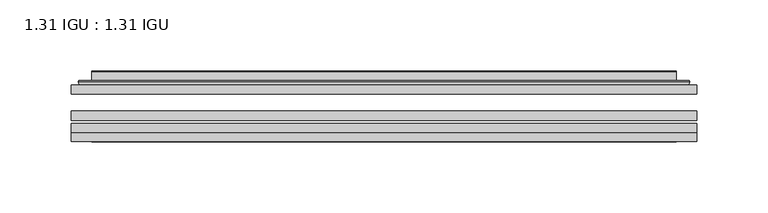
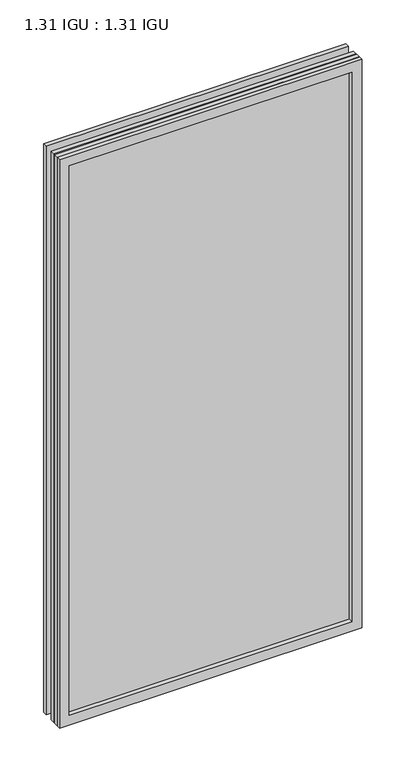
"""IFC4 building model written with IfcOpenShell, lengths in millimetres: plate geometry, 1.31 IGU : 1.31 IGU."""

from ifc_helpers import new_model, si_unit, frame, origin, place, context, project, spatial, polyline, ellipse_curve, outline, extrude, faceted_brep, source, transform, mapped, element, save
from ifc_brep_helpers import plane_surface, cylinder_surface, advanced_brep


def plate_1_31_igu_1_31_igu_1eee2443(model_context):
    return source(origin(), model_context, "Body", "SolidModel", [
        extrude(outline(polyline([(219.089175, -63.2975937), (219.089175, -69.6475938), (-219.075, -69.6475938), (-219.075, -63.2975937), (219.089175, -63.2975937)])), frame((0.0, 0.0, -14.2875), z_axis=(0.0, 0.0, 1.0), x_axis=(1.0, 0.0, 0.0)), (0.0, 0.0, 1.0), 869.9537979),
        extrude(outline(polyline([(-219.075, -78.2835938), (-219.075, -71.9330887), (219.089175, -71.9330887), (219.089175, -78.2835938), (-219.075, -78.2835938)])), frame((0.0, 0.0, -14.2875), z_axis=(0.0, 0.0, 1.0), x_axis=(1.0, 0.0, 0.0)), (0.0, 0.0, 1.0), 869.9537979),
        extrude(outline(polyline([(219.089175, -44.9587937), (219.089175, -51.3087938), (-219.075, -51.3087938), (-219.075, -44.9587937), (219.089175, -44.9587937)])), frame((0.0, 0.0, -14.2875), z_axis=(0.0, 0.0, 1.0), x_axis=(1.0, 0.0, 0.0)), (0.0, 0.0, 1.0), 869.9537979),
        faceted_brep([(-219.0877, -84.6335937, 855.6752), (-219.0877, -78.2835937, 855.6752), (-219.0877, -78.2835937, -14.3002), (-219.0877, -84.6335937, -14.3002), (219.0877, -78.2835937, -14.3002), (219.0877, -84.6335937, -14.3002), (219.0877, -78.2835937, 855.6752), (219.0877, -84.6335937, 855.6752), (-203.8897559, -78.2835937, 0.8977441), (203.8897559, -78.2835937, 0.8977441), (203.8897559, -78.2835937, 840.4772559), (-203.8897559, -78.2835937, 840.4772559), (-204.7821902, -84.6335937, 841.3696902), (204.7821902, -84.6335937, 841.3696902), (204.7821902, -84.6335937, 0.0053098), (-204.7821902, -84.6335937, 0.0053098)], [[[0, 1, 2, 3]], [[3, 2, 4, 5]], [[5, 4, 6, 7]], [[1, 6, 4, 2], [8, 9, 10, 11]], [[7, 6, 1, 0]], [[3, 5, 7, 0], [12, 13, 14, 15]], [[11, 12, 15, 8]], [[8, 15, 14, 9]], [[9, 14, 13, 10]], [[10, 13, 12, 11]]]),
        advanced_brep(
        [(-211.833719, -44.9587937, 848.421219), (-214.1879244, -42.9691271, 850.7754244), (-214.1879244, -42.9691271, -9.4004244), (-211.833719, -44.9587937, -7.046219), (-202.7593939, -41.1187568, 839.3468939), (-197.8245621, -44.9587937, 834.4120621), (-197.8245621, -44.9587937, 6.9629379), (-202.7593939, -41.1187568, 2.0281061), (-203.7914217, -35.7215256, 840.3789217), (-203.7914217, -35.7215256, 0.9960783), (-204.7820784, -35.3225507, 841.3695784), (-204.7820784, -35.3225507, 0.0054216), (-204.7820784, -41.7837937, 841.3695784), (-204.7820784, -41.7837937, 0.0054216), (-213.1861349, -41.7837937, 849.7736349), (-213.1861349, -41.7837937, -8.3986349), (214.1879244, -42.9691271, -9.4004244), (211.833719, -44.9587937, -7.046219), (197.8245621, -44.9587937, 6.9629379), (202.7593939, -41.1187568, 2.0281061), (203.7914217, -35.7215256, 0.9960783), (204.7820784, -35.3225507, 0.0054216), (204.7820784, -41.7837937, 0.0054216), (213.1861349, -41.7837937, -8.3986349), (214.1879244, -42.9691271, 850.7754244), (211.833719, -44.9587937, 848.421219), (197.8245621, -44.9587937, 834.4120621), (202.7593939, -41.1187568, 839.3468939), (203.7914217, -35.7215256, 840.3789217), (204.7820784, -35.3225507, 841.3695784), (204.7820784, -41.7837937, 841.3695784), (213.1861349, -41.7837937, 849.7736349)],
        [
            (0, 1, ellipse_curve(frame((-211.833719, -42.5711937, 848.421219), z_axis=(-0.7071067811865475, 0.0, -0.7071067811865475), x_axis=(-0.7071067811865474, 0.0, 0.7071067811865476)), 3.3765763, 2.3876)),
            (1, 2),
            (2, 3, ellipse_curve(frame((-211.833719, -42.5711937, -7.046219), z_axis=(-0.7071067811865475, 0.0, 0.7071067811865475), x_axis=(0.7071067811865474, 0.0, 0.7071067811865476)), 3.3765763, 2.3876)),
            (3, 0),
            (4, 5),
            (5, 6),
            (6, 7),
            (7, 4),
            (8, 4),
            (7, 9),
            (9, 8),
            (10, 8, ellipse_curve(frame((-204.4151219, -35.840786, 841.0026219), z_axis=(-0.7071067811865475, 0.0, -0.7071067811865475), x_axis=(-0.7071067811865474, 0.0, 0.7071067811865476)), 0.8980256, 0.635)),
            (9, 11, ellipse_curve(frame((-204.4151219, -35.840786, 0.3723781), z_axis=(-0.7071067811865475, 0.0, 0.7071067811865475), x_axis=(0.7071067811865474, 0.0, 0.7071067811865476)), 0.8980256, 0.635)),
            (11, 10),
            (12, 10),
            (11, 13),
            (13, 12),
            (1, 14, ellipse_curve(frame((-213.1861349, -42.7997937, 849.7736349), z_axis=(-0.7071067811865475, 0.0, -0.7071067811865475), x_axis=(-0.7071067811865474, 0.0, 0.7071067811865476)), 1.436841, 1.016)),
            (14, 15),
            (15, 2, ellipse_curve(frame((-213.1861349, -42.7997937, -8.3986349), z_axis=(-0.7071067811865475, 0.0, 0.7071067811865475), x_axis=(0.7071067811865474, 0.0, 0.7071067811865476)), 1.436841, 1.016)),
            (2, 16),
            (16, 17, ellipse_curve(frame((211.833719, -42.5711937, -7.046219), z_axis=(-0.7071067811865475, 0.0, -0.7071067811865475), x_axis=(-0.7071067811865476, 0.0, 0.7071067811865474)), 3.3765763, 2.3876)),
            (17, 3),
            (6, 18),
            (18, 19),
            (19, 7),
            (19, 20),
            (20, 9),
            (20, 21, ellipse_curve(frame((204.4151219, -35.840786, 0.3723781), z_axis=(-0.7071067811865475, 0.0, -0.7071067811865475), x_axis=(-0.7071067811865476, 0.0, 0.7071067811865474)), 0.8980256, 0.635)),
            (21, 11),
            (21, 22),
            (22, 13),
            (15, 23),
            (23, 16, ellipse_curve(frame((213.1861349, -42.7997937, -8.3986349), z_axis=(-0.7071067811865475, 0.0, -0.7071067811865475), x_axis=(-0.7071067811865476, 0.0, 0.7071067811865474)), 1.436841, 1.016)),
            (16, 24),
            (24, 25, ellipse_curve(frame((211.833719, -42.5711937, 848.421219), z_axis=(0.7071067811865475, 0.0, -0.7071067811865475), x_axis=(-0.7071067811865474, 0.0, -0.7071067811865476)), 3.3765763, 2.3876)),
            (25, 17),
            (18, 26),
            (26, 27),
            (27, 19),
            (27, 28),
            (28, 20),
            (28, 29, ellipse_curve(frame((204.4151219, -35.840786, 841.0026219), z_axis=(0.7071067811865475, 0.0, -0.7071067811865475), x_axis=(-0.7071067811865474, 0.0, -0.7071067811865476)), 0.8980256, 0.635)),
            (29, 21),
            (29, 30),
            (30, 22),
            (23, 31),
            (31, 24, ellipse_curve(frame((213.1861349, -42.7997937, 849.7736349), z_axis=(0.7071067811865475, 0.0, -0.7071067811865475), x_axis=(-0.7071067811865474, 0.0, -0.7071067811865476)), 1.436841, 1.016)),
            (24, 1),
            (0, 25),
            (5, 26),
            (4, 27),
            (8, 28),
            (10, 29),
            (12, 30),
            (14, 31),
        ],
        [
            cylinder_surface(frame((-211.833719, -42.5711937, 873.125), z_axis=(0.0, 0.0, 1.0), x_axis=(-1.0, 0.0, 0.0)), 2.3876),
            plane_surface(frame((-197.8245621, -44.9587937, 834.4120621), z_axis=(0.6141233906514794, 0.7892100234124821, 0.0), x_axis=(0.0, 0.0, -1.0))),
            plane_surface(frame((-202.7593939, -41.1187568, 839.3468939), z_axis=(0.9822050625507729, 0.18781164793386076, 0.0), x_axis=(0.0, 0.0, -1.0))),
            cylinder_surface(frame((-204.4151219, -35.840786, 873.125), z_axis=(0.0, 0.0, 1.0), x_axis=(-1.0, 0.0, 0.0)), 0.635),
            plane_surface(frame((-204.7820784, -35.3225507, 841.3695784), z_axis=(-1.0, 0.0, 0.0), x_axis=(0.0, 0.0, -1.0))),
            cylinder_surface(frame((-213.1861349, -42.7997937, 873.125), z_axis=(0.0, 0.0, 1.0), x_axis=(-1.0, 0.0, 0.0)), 1.016),
            cylinder_surface(frame((-236.5375, -42.5711937, -7.046219), z_axis=(-1.0, 0.0, 0.0), x_axis=(0.0, 0.0, -1.0)), 2.3876),
            plane_surface(frame((-197.8245621, -44.9587937, 6.9629379), z_axis=(0.0, 0.7892100234124841, 0.6141233906514768), x_axis=(1.0, 0.0, 0.0))),
            plane_surface(frame((-202.7593939, -41.1187568, 2.0281061), z_axis=(0.0, 0.18781164793386393, 0.9822050625507723), x_axis=(1.0, 0.0, 0.0))),
            cylinder_surface(frame((-236.5375, -35.840786, 0.3723781), z_axis=(-1.0, 0.0, 0.0), x_axis=(0.0, 0.0, -1.0)), 0.635),
            plane_surface(frame((-204.7820784, -35.3225507, 0.0054216), z_axis=(0.0, 0.0, -1.0), x_axis=(1.0, 0.0, 0.0))),
            cylinder_surface(frame((-236.5375, -42.7997937, -8.3986349), z_axis=(-1.0, 0.0, 0.0), x_axis=(0.0, 0.0, -1.0)), 1.016),
            cylinder_surface(frame((211.833719, -42.5711937, -31.75), z_axis=(0.0, 0.0, -1.0), x_axis=(1.0, 0.0, 0.0)), 2.3876),
            plane_surface(frame((197.8245621, -44.9587937, 6.9629379), z_axis=(-0.6141233906514743, 0.7892100234124861, 0.0), x_axis=(0.0, 0.0, 1.0))),
            plane_surface(frame((202.7593939, -41.1187568, 2.0281061), z_axis=(-0.9822050625507718, 0.1878116479338671, 0.0), x_axis=(0.0, 0.0, 1.0))),
            cylinder_surface(frame((204.4151219, -35.840786, -31.75), z_axis=(0.0, 0.0, -1.0), x_axis=(1.0, 0.0, 0.0)), 0.635),
            plane_surface(frame((204.7820784, -35.3225507, 0.0054216), z_axis=(1.0, 0.0, 0.0), x_axis=(0.0, 0.0, 1.0))),
            cylinder_surface(frame((213.1861349, -42.7997937, -31.75), z_axis=(0.0, 0.0, -1.0), x_axis=(1.0, 0.0, 0.0)), 1.016),
            cylinder_surface(frame((236.5375, -42.5711937, 848.421219), z_axis=(1.0, 0.0, 0.0), x_axis=(0.0, 0.0, 1.0)), 2.3876),
            plane_surface(frame((211.833719, -44.9587937, 848.421219), z_axis=(0.0, -1.0, 0.0), x_axis=(-1.0, 0.0, 0.0))),
            plane_surface(frame((197.8245621, -44.9587937, 834.4120621), z_axis=(0.0, 0.7892100234124841, -0.6141233906514768), x_axis=(-1.0, 0.0, 0.0))),
            plane_surface(frame((202.7593939, -41.1187568, 839.3468939), z_axis=(0.0, 0.18781164793386393, -0.9822050625507723), x_axis=(-1.0, 0.0, 0.0))),
            cylinder_surface(frame((236.5375, -35.840786, 841.0026219), z_axis=(1.0, 0.0, 0.0), x_axis=(0.0, 0.0, 1.0)), 0.635),
            plane_surface(frame((204.7820784, -35.3225507, 841.3695784), z_axis=(0.0, 0.0, 1.0), x_axis=(-1.0, 0.0, 0.0))),
            plane_surface(frame((204.7820784, -41.7837937, 841.3695784), z_axis=(0.0, 1.0, 0.0), x_axis=(-1.0, 0.0, 0.0))),
            cylinder_surface(frame((236.5375, -42.7997937, 849.7736349), z_axis=(1.0, 0.0, 0.0), x_axis=(0.0, 0.0, 1.0)), 1.016),
        ],
        [
            (0, [[1, 2, 3, 4]]),
            (1, [[5, 6, 7, 8]]),
            (2, [[9, -8, 10, 11]]),
            (3, [[12, -11, 13, 14]]),
            (4, [[15, -14, 16, 17]]),
            (5, [[18, 19, 20, -2]]),
            (6, [[-3, 21, 22, 23]]),
            (7, [[-7, 24, 25, 26]]),
            (8, [[-10, -26, 27, 28]]),
            (9, [[-13, -28, 29, 30]]),
            (10, [[-16, -30, 31, 32]]),
            (11, [[-20, 33, 34, -21]]),
            (12, [[-22, 35, 36, 37]]),
            (13, [[-25, 38, 39, 40]]),
            (14, [[-27, -40, 41, 42]]),
            (15, [[-29, -42, 43, 44]]),
            (16, [[-31, -44, 45, 46]]),
            (17, [[-34, 47, 48, -35]]),
            (18, [[-36, 49, -1, 50]]),
            (19, [[-23, -37, -50, -4], [51, -38, -24, -6]]),
            (20, [[-39, -51, -5, 52]]),
            (21, [[-41, -52, -9, 53]]),
            (22, [[-43, -53, -12, 54]]),
            (23, [[-45, -54, -15, 55]]),
            (24, [[56, -47, -33, -19], [-32, -46, -55, -17]]),
            (25, [[-48, -56, -18, -49]]),
        ],
    ),
    ])


if __name__ == "__main__":
    model = new_model("IFC4")
    model_context = context("Model", 3, world=origin())
    ifc_project = project(units=[si_unit("LENGTHUNIT", "METRE", prefix="MILLI")], contexts=[model_context])
    site = spatial("IfcSite", under=ifc_project)
    building = spatial("IfcBuilding", under=site)
    placement = place(None, origin())
    plate_1_31_igu_1_31_igu_shape = plate_1_31_igu_1_31_igu_1eee2443(model_context)
    element("IfcPlate", 1, ObjectType="1.31 IGU : 1.31 IGU", at=placement, inside=building, context=model_context, shape_type="MappedRepresentation", body=[
        mapped(plate_1_31_igu_1_31_igu_shape, transform((0.0, 0.0, 0.0), x_axis=(1.0, 0.0, 0.0), y_axis=(0.0, 1.0, 0.0), z_axis=(0.0, 0.0, 1.0))),
    ])
    save(model, "model.ifc")
